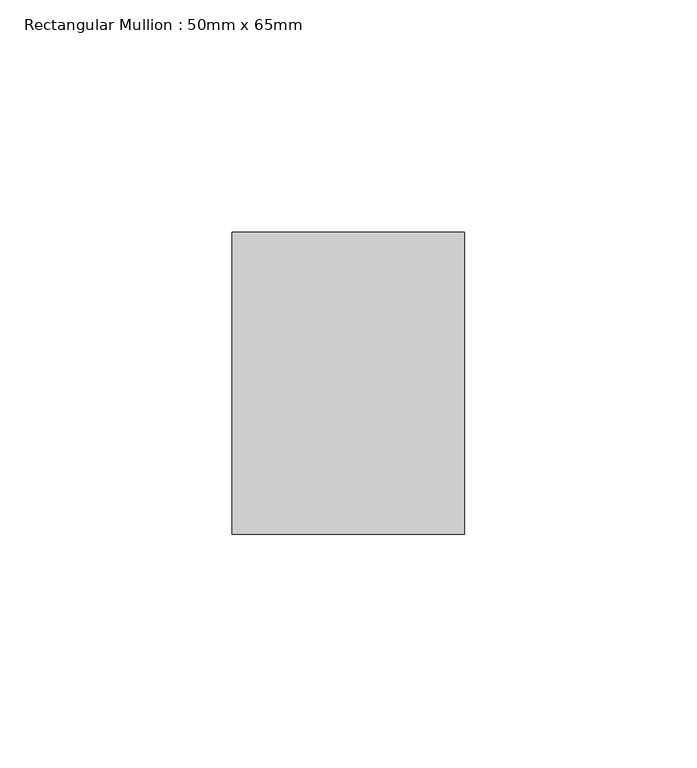
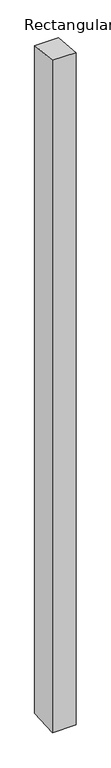
"""IFC4 building model written with IfcOpenShell, lengths in millimetres: member geometry, Rectangular Mullion : 50mm x 65mm."""

from ifc_helpers import new_model, si_unit, origin, place, context, project, spatial, faceted_brep, source, transform, mapped, element, save


def rectangular_mullion_50mm_x_65mm_2a632d50(model_context):
    return source(origin(), model_context, "Body", "Brep", [
        faceted_brep([(-25.0, 32.5, -3.1469373), (25.0, 32.5, -3.1469367), (25.0, 32.5, -1497.8334349), (-25.0, 32.5, -1497.8334345), (-25.0, -32.5, 3.1469367), (-25.0, -32.5, -1502.1653905), (25.0, -32.5, 3.1469373), (25.0, -32.5, -1502.1653909)], [[[0, 1, 2, 3]], [[4, 0, 3, 5]], [[6, 4, 5, 7]], [[1, 6, 7, 2]], [[1, 0, 4, 6]], [[2, 7, 5, 3]]]),
    ])


if __name__ == "__main__":
    model = new_model("IFC4")
    model_context = context("Model", 3, world=origin())
    ifc_project = project(units=[si_unit("LENGTHUNIT", "METRE", prefix="MILLI")], contexts=[model_context])
    site = spatial("IfcSite", under=ifc_project)
    building = spatial("IfcBuilding", under=site)
    placement = place(None, origin())
    rectangular_mullion_50mm_x_65mm_shape = rectangular_mullion_50mm_x_65mm_2a632d50(model_context)
    element("IfcMember", 1, ObjectType="Rectangular Mullion : 50mm x 65mm", at=placement, inside=building, context=model_context, shape_type="MappedRepresentation", body=[
        mapped(rectangular_mullion_50mm_x_65mm_shape, transform((0.0, 0.0, 0.0), x_axis=(1.0, 0.0, 0.0), y_axis=(0.0, 1.0, 0.0), z_axis=(0.0, 0.0, 1.0))),
    ])
    save(model, "model.ifc")
